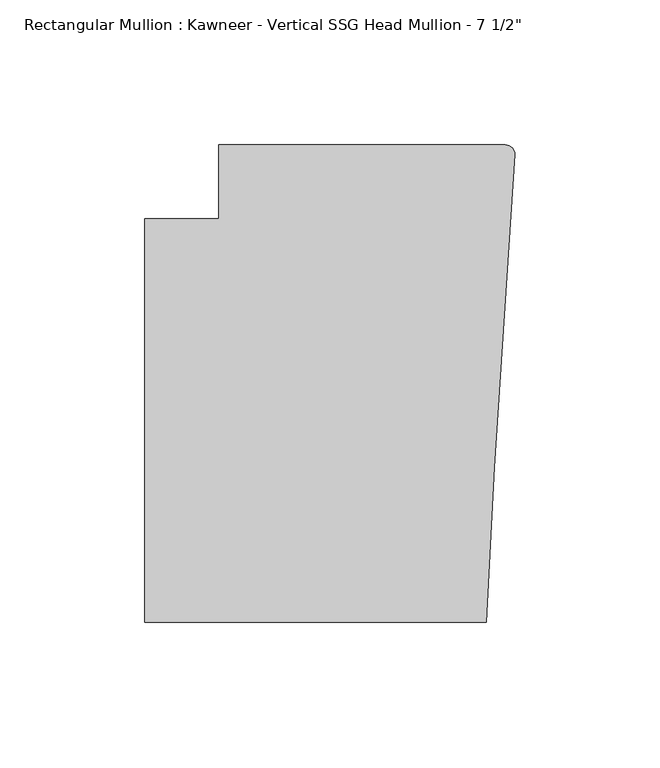
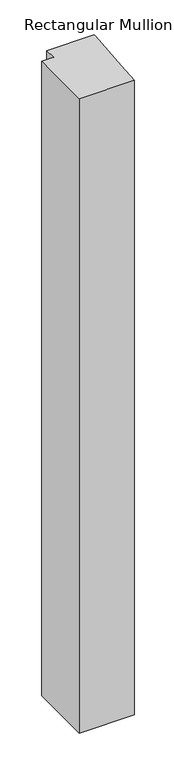
"""IFC4 building model written with IfcOpenShell, lengths in millimetres: member geometry."""

import ifcopenshell
import ifcopenshell.guid

model = None  # the IFC model being written
_history = None  # IfcOwnerHistory: only IFC2X3 demands one
_inside = {}  # id of a spatial element -> (the spatial element, [elements in it])
_under = {}  # id of a project, library or spatial element -> (it, [spatial elements below it])
_declared = {}  # id of a project -> (the project, [libraries it declares])
_typed = {}  # id of a type object -> (the type object, [elements of that type])
_made_of = {}  # id of a material, layer set ... -> (it, [elements and type objects made of it])


def new_model(schema):
    """Start an empty IFC model of exactly this schema.

    Asked for "IFC4X3", IfcOpenShell would pick the latest addendum, in which some entities
    have other attributes; the version numbers below select the first issue.
    IFC2X3 requires an IfcOwnerHistory on every rooted entity: one is made here for all.
    """
    global model, _history
    if schema == "IFC4X3":
        model = ifcopenshell.file(schema_version=(4, 3, 0, 0))
    else:
        model = ifcopenshell.file(schema=schema)
    _inside.clear()
    _under.clear()
    _declared.clear()
    _typed.clear()
    _made_of.clear()
    _history = None
    if model.schema == "IFC2X3":
        org = make("IfcOrganization", Name="unknown")
        user = make(
            "IfcPersonAndOrganization",
            ThePerson=make("IfcPerson", FamilyName="unknown"),
            TheOrganization=org,
        )
        app = make(
            "IfcApplication",
            ApplicationDeveloper=org,
            Version="unknown",
            ApplicationFullName="unknown",
            ApplicationIdentifier="unknown",
        )
        _history = make(
            "IfcOwnerHistory",
            OwningUser=user,
            OwningApplication=app,
            ChangeAction="ADDED",
            CreationDate=0,
        )
    return model


def make(cls, **values):
    """One entity of the class cls with the attributes given. An attribute that is None is left unset."""
    return model.create_entity(
        cls, **{name: value for name, value in values.items() if value is not None}
    )


def rooted(cls, **values):
    """An entity with a GlobalId (a new one), such as an element, a storey or a relation."""
    return make(cls, GlobalId=ifcopenshell.guid.new(), OwnerHistory=_history, **values)


def si_unit(unit_type, name, prefix=None):
    """IfcSIUnit, for example si_unit("LENGTHUNIT", "METRE", prefix="MILLI")."""
    return make("IfcSIUnit", UnitType=unit_type, Prefix=prefix, Name=name)


def assignment(units):
    """IfcUnitAssignment: the units of a project."""
    return None if units is None else make("IfcUnitAssignment", Units=units)


def point(xyz):
    """IfcCartesianPoint."""
    return None if xyz is None else make("IfcCartesianPoint", Coordinates=xyz)


def direction(xyz):
    """IfcDirection."""
    return None if xyz is None else make("IfcDirection", DirectionRatios=xyz)


def frame(location, z_axis=None, x_axis=None):
    """IfcAxis2Placement3D, a coordinate frame: its origin and axes. An axis left out is left unset."""
    return make(
        "IfcAxis2Placement3D",
        Location=point(location),
        Axis=direction(z_axis),
        RefDirection=direction(x_axis),
    )


def frame_2d(location, x_axis=None):
    """IfcAxis2Placement2D, a coordinate frame in the plane: its origin and x axis."""
    return make(
        "IfcAxis2Placement2D", Location=point(location), RefDirection=direction(x_axis)
    )


def origin():
    """The frame at (0, 0, 0) with its axes left unset."""
    return frame((0.0, 0.0, 0.0))


def place(relative_to, where):
    """IfcLocalPlacement: puts the frame where relative to a parent placement (None: the world)."""
    return make(
        "IfcLocalPlacement", PlacementRelTo=relative_to, RelativePlacement=where
    )


def context(
    kind, dimensions, precision=None, world=None, true_north=None, identifier=None
):
    """IfcGeometricRepresentationContext, for example the 3D "Model" context."""
    return make(
        "IfcGeometricRepresentationContext",
        ContextIdentifier=identifier,
        ContextType=kind,
        CoordinateSpaceDimension=dimensions,
        Precision=precision,
        WorldCoordinateSystem=world,
        TrueNorth=true_north,
    )


def project(units=None, contexts=None):
    """IfcProject with its units and contexts."""
    return rooted(
        "IfcProject",
        Name="project",
        RepresentationContexts=contexts,
        UnitsInContext=assignment(units),
    )


def spatial(cls, under=None, at=None, **own):
    """A site, building, storey or space (cls), placed at a placement, below another one or the project."""
    s = rooted(cls, ObjectPlacement=at, **own)
    if under is not None:
        _under.setdefault(under.id(), (under, []))[1].append(s)
    return s


def polyline(points):
    """IfcPolyline through the points."""
    return make("IfcPolyline", Points=[point(p) for p in points])


def circle_curve(where, radius):
    """IfcCircle in the frame where."""
    return make("IfcCircle", Position=where, Radius=radius)


def trimmed(basis, trim1, trim2, sense, master):
    """IfcTrimmedCurve: the piece of a basis curve between two trims."""
    return make(
        "IfcTrimmedCurve",
        BasisCurve=basis,
        Trim1=trim1,
        Trim2=trim2,
        SenseAgreement=sense,
        MasterRepresentation=master,
    )


def segment(curve, same_sense, transition):
    """IfcCompositeCurveSegment."""
    return make(
        "IfcCompositeCurveSegment",
        Transition=transition,
        SameSense=same_sense,
        ParentCurve=curve,
    )


def composite_curve(segments, self_intersect=None):
    """IfcCompositeCurve: segments joined end to end."""
    return make("IfcCompositeCurve", Segments=segments, SelfIntersect=self_intersect)


def outline(outer, holes=None, kind="AREA"):
    """IfcArbitraryClosedProfileDef: a profile drawn as a closed curve; with holes, ...WithVoids."""
    if holes is None:
        return make("IfcArbitraryClosedProfileDef", ProfileType=kind, OuterCurve=outer)
    return make(
        "IfcArbitraryProfileDefWithVoids",
        ProfileType=kind,
        OuterCurve=outer,
        InnerCurves=holes,
    )


def extrude(swept, where, along, depth):
    """IfcExtrudedAreaSolid: the profile swept, set in the frame where, extruded along a direction by depth."""
    return make(
        "IfcExtrudedAreaSolid",
        SweptArea=swept,
        Position=where,
        ExtrudedDirection=direction(along),
        Depth=depth,
    )


def shape(context_of_items, identifier, shape_type, items):
    """IfcShapeRepresentation: the items that make up one representation, for example the "Body"."""
    return make(
        "IfcShapeRepresentation",
        ContextOfItems=context_of_items,
        RepresentationIdentifier=identifier,
        RepresentationType=shape_type,
        Items=items,
    )


def source(mapping_origin, context_of_items, identifier, shape_type, items):
    """IfcRepresentationMap: a shape defined once, which mapped items show again and again."""
    return make(
        "IfcRepresentationMap",
        MappingOrigin=mapping_origin,
        MappedRepresentation=shape(context_of_items, identifier, shape_type, items),
    )


def transform(
    local_origin,
    x_axis=None,
    y_axis=None,
    z_axis=None,
    scale=None,
    scale2=None,
    scale3=None,
    uniform=True,
):
    """IfcCartesianTransformationOperator3D, or its non-uniform kind. x_axis, y_axis, z_axis: its Axis1, 2, 3."""
    if uniform:
        return make(
            "IfcCartesianTransformationOperator3D",
            Axis1=direction(x_axis),
            Axis2=direction(y_axis),
            LocalOrigin=point(local_origin),
            Scale=scale,
            Axis3=direction(z_axis),
        )
    return make(
        "IfcCartesianTransformationOperator3DnonUniform",
        Axis1=direction(x_axis),
        Axis2=direction(y_axis),
        LocalOrigin=point(local_origin),
        Scale=scale,
        Axis3=direction(z_axis),
        Scale2=scale2,
        Scale3=scale3,
    )


def mapped(mapping_source, mapping_target):
    """IfcMappedItem: shows the shape of a source again, moved by a transform."""
    return make(
        "IfcMappedItem", MappingSource=mapping_source, MappingTarget=mapping_target
    )


def made_of(thing, what):
    """Note that an element or type object is made of a material, layer set ...; save() writes the relation."""
    if what is not None:
        _made_of.setdefault(what.id(), (what, []))[1].append(thing)
    return thing


def element(
    cls,
    number,
    at=None,
    inside=None,
    cuts=None,
    type_object=None,
    material=None,
    context=None,
    identifier="Body",
    shape_type=None,
    held_by="IfcProductDefinitionShape",
    body=None,
    shapes=None,
    **own,
):
    """One element of the class cls, such as IfcWall. Its Tag is "e" and its number.

    at: its placement. inside: the storey or other place that contains it. cuts: it is an
    opening in that element (IfcRelVoidsElement). A single representation is given by context,
    identifier, shape_type and body (its items); several are given by shapes. held_by: the class
    of the entity that holds the representations. save() writes the other relations.
    """
    e = rooted(cls, Tag="e%d" % number, ObjectPlacement=at, **own)
    if body is not None:
        shapes = [shape(context, identifier, shape_type, body)]
    if shapes is not None:
        e.Representation = make(held_by, Representations=shapes)
    if inside is not None:
        _inside.setdefault(inside.id(), (inside, []))[1].append(e)
    if cuts is not None:
        rooted(
            "IfcRelVoidsElement", RelatingBuildingElement=cuts, RelatedOpeningElement=e
        )
    if type_object is not None:
        _typed.setdefault(type_object.id(), (type_object, []))[1].append(e)
    return made_of(e, material)


def aggregate(whole, parts):
    """IfcRelAggregates: a whole, such as a stair, and the parts it consists of."""
    return rooted("IfcRelAggregates", RelatingObject=whole, RelatedObjects=parts)


def save(model, path):
    """Write the relations noted so far, then the file.

    IfcRelAggregates (storeys below a building ...), IfcRelContainedInSpatialStructure (elements
    in a storey), IfcRelDefinesByType, IfcRelAssociatesMaterial and IfcRelDeclares: one each for
    every whole, place, type object, material and project.
    """
    for whole, parts in _under.values():
        aggregate(whole, parts)
    for where, things in _inside.values():
        rooted(
            "IfcRelContainedInSpatialStructure",
            RelatedElements=things,
            RelatingStructure=where,
        )
    for kind, things in _typed.values():
        rooted("IfcRelDefinesByType", RelatedObjects=things, RelatingType=kind)
    for what, things in _made_of.values():
        rooted("IfcRelAssociatesMaterial", RelatedObjects=things, RelatingMaterial=what)
    for by, libraries in _declared.values():
        rooted("IfcRelDeclares", RelatingContext=by, RelatedDefinitions=libraries)
    model.write(path)


def member_26982418(model_context):
    return source(origin(), model_context, "Body", "SweptSolid", [
        extrude(outline(composite_curve([segment(polyline([(-102.08978, 12.7), (-3.175, 12.7)]), True, "CONTINUOUS"), segment(trimmed(circle_curve(frame_2d((-3.175, 9.525)), 3.175), [point((-3.175, 12.7))], [point((-0.006635, 9.3198462))], False, "CARTESIAN"), True, "CONTINUOUS"), segment(polyline([(-0.006635, 9.3198462), (-6.9873394, -98.4891117), (-9.7860662, -151.892), (-127.4896668, -151.892), (-127.4896668, -12.7), (-102.08978, -12.7), (-102.08978, 12.7)]), True, "CONTINUOUS")], self_intersect=False)), frame((0.0, 0.0, -1437.2055615), z_axis=(0.0, 0.0, 1.0), x_axis=(1.0, 0.0, 0.0)), (0.0, 0.0, 1.0), 1437.2055615),
    ])


if __name__ == "__main__":
    model = new_model("IFC4")
    model_context = context("Model", 3, world=origin())
    ifc_project = project(units=[si_unit("LENGTHUNIT", "METRE", prefix="MILLI")], contexts=[model_context])
    site = spatial("IfcSite", under=ifc_project)
    building = spatial("IfcBuilding", under=site)
    placement = place(None, origin())
    member_shape = member_26982418(model_context)
    element("IfcMember", 1, ObjectType="Rectangular Mullion : Kawneer - Vertical SSG Head Mullion - 7 1/2\"", at=placement, inside=building, context=model_context, shape_type="MappedRepresentation", body=[
        mapped(member_shape, transform((0.0, 0.0, 0.0), x_axis=(1.0, 0.0, 0.0), y_axis=(0.0, 1.0, 0.0), z_axis=(0.0, 0.0, 1.0))),
    ])
    save(model, "model.ifc")
